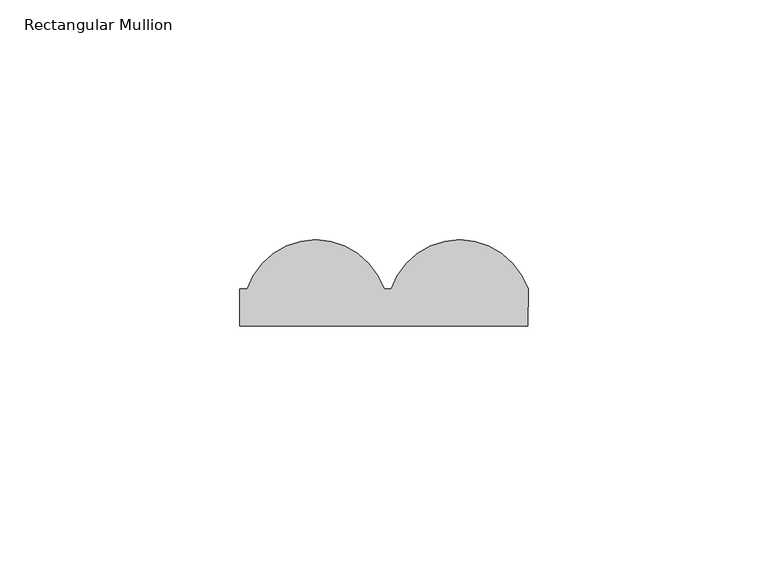
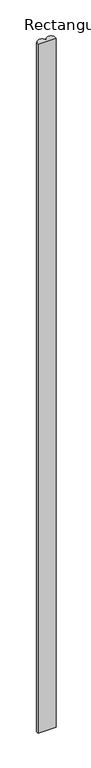
"""IFC4 building model written with IfcOpenShell, lengths in millimetres: member geometry, Rectangular Mullion."""

from ifc_helpers import new_model, si_unit, point, frame, frame_2d, origin, place, context, project, spatial, polyline, circle_curve, trimmed, segment, composite_curve, outline, extrude, source, transform, mapped, element, save


def rectangular_mullion_ec89b5b3(model_context):
    return source(origin(), model_context, "Body", "SweptSolid", [
        extrude(outline(composite_curve([segment(polyline([(-30.0, 7.716254), (-28.4785497, 7.716254)]), True, "CONTINUOUS"), segment(trimmed(circle_curve(frame_2d((-14.2392748, 3.0)), 15.0), [point((-28.4785497, 7.716254))], [point((0.0, 7.716254))], False, "CARTESIAN"), True, "CONTINUOUS"), segment(polyline([(0.0, 7.716254), (1.5214503, 7.716254)]), True, "CONTINUOUS"), segment(trimmed(circle_curve(frame_2d((15.7607252, 3.0)), 15.0), [point((1.5214503, 7.716254))], [point((30.0, 7.716254))], False, "CARTESIAN"), True, "CONTINUOUS"), segment(polyline([(30.0, 7.716254), (30.0, 0.0), (-30.0, 0.0), (-30.0, 7.716254)]), True, "CONTINUOUS")], self_intersect=False)), frame((0.0, 0.0, -2400.0), z_axis=(0.0, 0.0, 1.0), x_axis=(1.0, 0.0, 0.0)), (0.0, 0.0, 1.0), 2400.0),
    ])


if __name__ == "__main__":
    model = new_model("IFC4")
    model_context = context("Model", 3, world=origin())
    ifc_project = project(units=[si_unit("LENGTHUNIT", "METRE", prefix="MILLI")], contexts=[model_context])
    site = spatial("IfcSite", under=ifc_project)
    building = spatial("IfcBuilding", under=site)
    placement = place(None, origin())
    rectangular_mullion_shape = rectangular_mullion_ec89b5b3(model_context)
    element("IfcMember", 1, ObjectType="Rectangular Mullion", at=placement, inside=building, context=model_context, shape_type="MappedRepresentation", body=[
        mapped(rectangular_mullion_shape, transform((0.0, 0.0, 0.0), x_axis=(1.0, 0.0, 0.0), y_axis=(0.0, 1.0, 0.0), z_axis=(0.0, 0.0, 1.0))),
    ])
    save(model, "model.ifc")
